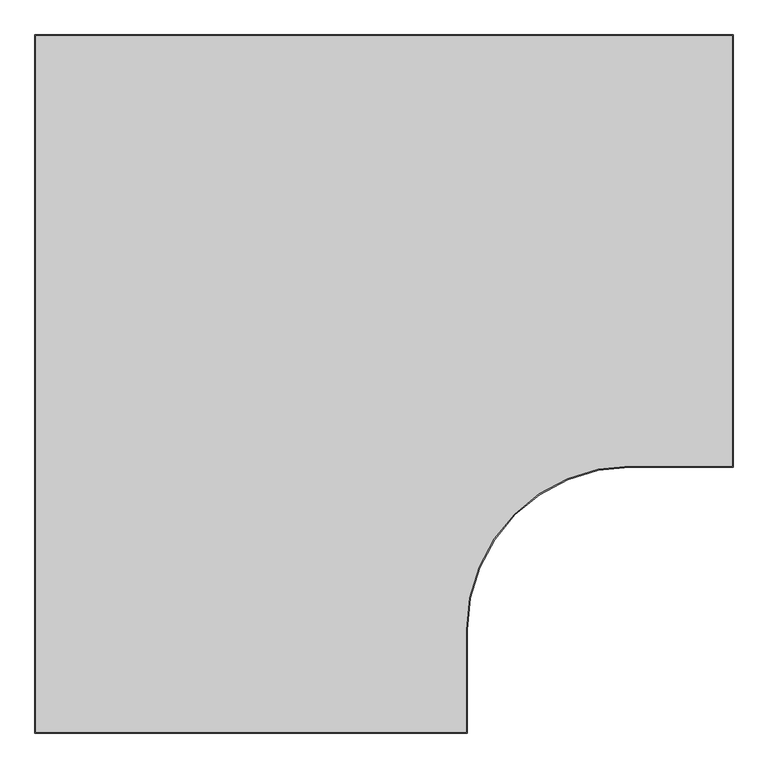
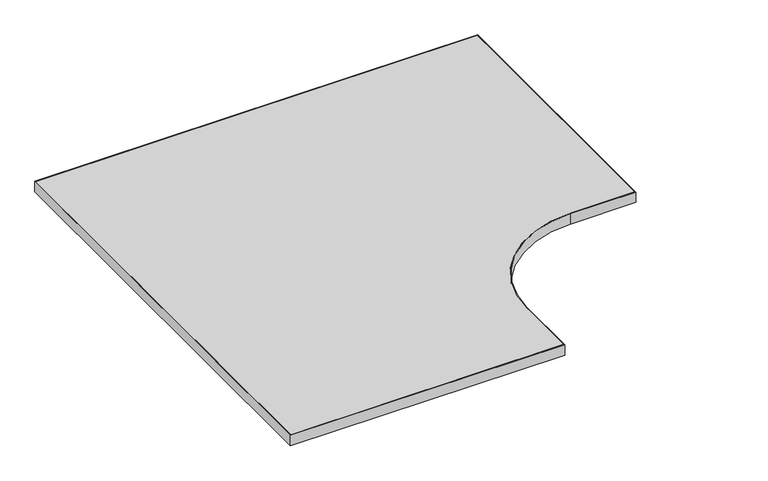
"""IFC4 building model written with IfcOpenShell, lengths in millimetres: furniture geometry."""

from ifc_helpers import new_model, si_unit, point, frame, frame_2d, origin, place, context, project, spatial, polyline, circle_curve, trimmed, segment, composite_curve, outline, extrude, source, transform, mapped, element, save


def furniture_6779e6ed(model_context):
    return source(origin(), model_context, "Body", "SweptSolid", [
        extrude(outline(composite_curve([segment(polyline([(428.6123, 782.6248), (428.6123, 47.625), (254.0, 47.625)]), True, "CONTINUOUS"), segment(trimmed(circle_curve(frame_2d((254.0, -231.775)), 279.4), [point((254.0, 47.625))], [point((-25.4, -231.775))], True, "CARTESIAN"), True, "CONTINUOUS"), segment(polyline([(-25.4, -231.775), (-25.4, -406.3873), (-760.3998, -406.3873), (-760.3998, 782.6248), (428.6123, 782.6248)]), True, "CONTINUOUS")], self_intersect=False)), frame((0.0, 0.0, 707.0328125), z_axis=(0.0, 0.0, 1.0), x_axis=(1.0, 0.0, 0.0)), (0.0, 0.0, 1.0), 29.5671875),
        extrude(outline(composite_curve([segment(polyline([(-23.8125, -407.9748), (-761.9873, -407.9748), (-761.9873, 784.2123), (430.1998, 784.2123), (430.1998, 46.0375), (254.0, 46.0375)]), True, "CONTINUOUS"), segment(trimmed(circle_curve(frame_2d((254.0, -231.775)), 277.8125), [point((254.0, 46.0375))], [point((-23.8125, -231.775))], True, "CARTESIAN"), True, "CONTINUOUS"), segment(polyline([(-23.8125, -231.775), (-23.8125, -407.9748)]), True, "CONTINUOUS")], self_intersect=False), holes=[composite_curve([segment(polyline([(428.6123, 782.6248), (-760.3998, 782.6248), (-760.3998, -406.3873), (-25.4, -406.3873), (-25.4, -231.775)]), True, "CONTINUOUS"), segment(trimmed(circle_curve(frame_2d((254.0, -231.775)), 279.4), [point((-25.4, -231.775))], [point((254.0, 47.625))], False, "CARTESIAN"), True, "CONTINUOUS"), segment(polyline([(254.0, 47.625), (428.6123, 47.625), (428.6123, 782.6248)]), True, "CONTINUOUS")], self_intersect=False)]), frame((0.0, 0.0, 707.009), z_axis=(0.0, 0.0, 1.0), x_axis=(1.0, 0.0, 0.0)), (0.0, 0.0, 1.0), 29.591),
    ])


if __name__ == "__main__":
    model = new_model("IFC4")
    model_context = context("Model", 3, world=origin())
    ifc_project = project(units=[si_unit("LENGTHUNIT", "METRE", prefix="MILLI")], contexts=[model_context])
    site = spatial("IfcSite", under=ifc_project)
    building = spatial("IfcBuilding", under=site)
    placement = place(None, origin())
    furniture_shape = furniture_6779e6ed(model_context)
    element("IfcFurniture", 1, at=placement, inside=building, context=model_context, shape_type="MappedRepresentation", body=[
        mapped(furniture_shape, transform((0.0, 0.0, 0.0), x_axis=(1.0, 0.0, 0.0), y_axis=(0.0, 1.0, 0.0), z_axis=(0.0, 0.0, 1.0))),
    ])
    save(model, "model.ifc")
